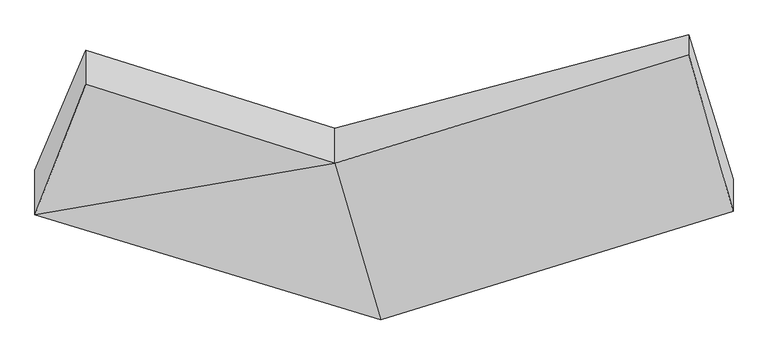
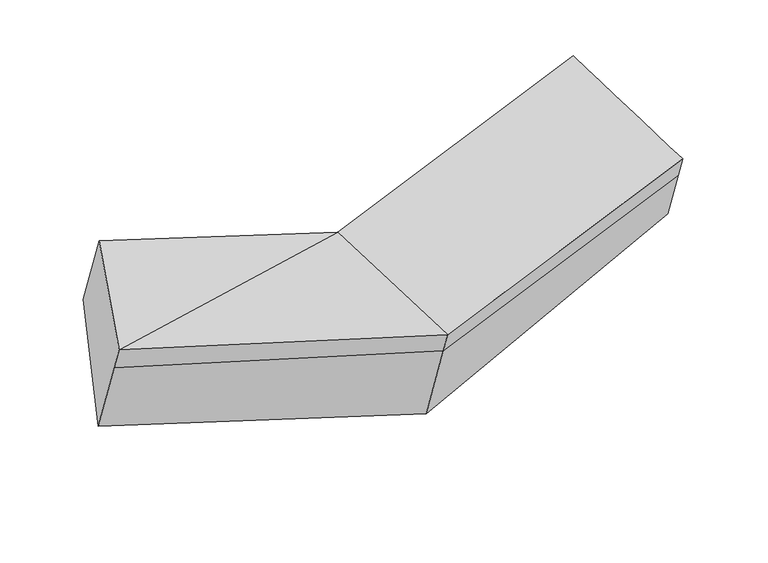
"""IFC4 building model written with IfcOpenShell, lengths in millimetres: proxy geometry."""

from ifc_helpers import new_model, si_unit, frame, origin, place, context, project, spatial, source, transform, mapped, element, save
from ifc_brep_helpers import plane_surface, spline_surface, advanced_brep


def generic_models_4d4130b1(model_context):
    return source(origin(), model_context, "Body", "AdvancedBrep", [
        advanced_brep(
        [(-1681.7710397, -1844.5860914, 2116.7372217), (-1681.7371374, -1793.2617217, 1970.4812546), (7.7523672, -2309.5059282, 1801.2237386), (7.7217458, -2355.8634234, 1933.3259024), (-1433.8060525, -1206.7830187, 2340.6135391), (-217.3140991, -1592.2066856, 2201.2573402), (-1433.6955071, -1039.429259, 1863.7156036), (-217.2002108, -1419.7921847, 1709.938115), (-1681.6273621, -1627.0737462, 1496.9053843), (7.8704935, -2130.6754788, 1291.6213714), (1512.6307794, -964.9372966, 2123.8646294), (1512.5670099, -1061.4773818, 2398.969099), (1729.4592847, -1827.2286842, 2130.3007457), (1729.4899061, -1780.8711889, 1998.1985818), (1729.5623321, -1671.2260033, 1685.7492963)],
        [
            (0, 1),
            (1, 2),
            (2, 3),
            (3, 0),
            (4, 0),
            (0, 5),
            (5, 4),
            (6, 4),
            (5, 7),
            (7, 6),
            (8, 6),
            (7, 9),
            (9, 8),
            (1, 8),
            (9, 2),
            (10, 11),
            (11, 12),
            (12, 13),
            (13, 14),
            (14, 10),
            (3, 5),
            (5, 11),
            (10, 7),
            (3, 12),
            (2, 13),
            (9, 14),
        ],
        [
            plane_surface(frame((-1681.7540886, -1818.9239066, 2043.6092382), z_axis=(-0.3060682581214703, -0.8982815965811246, -0.3152973114603981), x_axis=(0.0002187243439292444, 0.33112496618053344, -0.943586884675493))),
            plane_surface(frame((-1557.7885461, -1525.6845551, 2228.6753804), z_axis=(0.002808234936064552, -0.3321712242105124, 0.9432149233462295), x_axis=(-0.34439581555887255, -0.8858376010676839, -0.3109393297094949))),
            plane_surface(frame((-1433.7507798, -1123.1061388, 2102.1645714), z_axis=(0.31926057938396796, 0.8941830186354431, 0.31386209015333444), x_axis=(-0.00021872434374065421, -0.33112496618048076, 0.9435868846755114))),
            spline_surface(1, 1, [[(-1681.6273621, -1627.0737462, 1496.9053843), (7.8704935, -2130.6754788, 1291.6213714)], [(-1433.6955071, -1039.429259, 1863.7156036), (-217.2002108, -1419.7921847, 1709.938115)]], [2, 2], [2, 2], [0.0, 1.0], [0.0, 1.0]),
            plane_surface(frame((-1681.6822498, -1710.167734, 1733.6933195), z_axis=(-0.3060682581214728, -0.8982815965811759, -0.3152973114602485), x_axis=(0.00021872434365996868, 0.33112496618045834, -0.9435868846755193))),
            plane_surface(frame((1621.0548515, -1381.2173415, 2084.7209426), z_axis=(0.9660901014831397, 0.24356897800843408, 0.08569754236980245), x_axis=(-0.00021872434371285774, -0.33112496618047405, 0.9435868846755139))),
            plane_surface(frame((-1557.7249903, -1429.4680288, 1954.4929372), z_axis=(-0.9388245173541222, 0.3250353846993127, 0.11384429853167588), x_axis=(-0.0002187243437412025, -0.33112496618048054, 0.9435868846755116))),
            plane_surface(frame((-1681.7710397, -1844.5860914, 2116.7372217), z_axis=(0.002470557729439146, -0.3304182640575326, 0.9438313764236239), x_axis=(0.26789981530728435, -0.9091151640496759, -0.31896599733083464))),
            plane_surface(frame((-217.257155, -1505.9994352, 1955.5977276), z_axis=(-0.3110950548911994, 0.8967875230491743, 0.3146299498229128), x_axis=(-0.00021872434371285774, -0.33112496618047405, 0.9435868846755139))),
            spline_surface(1, 1, [[(-217.3140991, -1592.2066856, 2201.2573402), (1512.5670099, -1061.4773818, 2398.969099)], [(7.7217458, -2355.8634234, 1933.3259024), (1729.4592847, -1827.2286842, 2130.3007457)]], [2, 2], [2, 2], [0.0, 1.0], [0.0, 1.0]),
            plane_surface(frame((7.7370565, -2332.6846758, 1867.2748205), z_axis=(0.31131703333658994, -0.8967189491540811, -0.3146058343109758), x_axis=(0.0002187243436959624, 0.33112496618047116, -0.9435868846755149))),
            plane_surface(frame((7.8114303, -2220.0907035, 1546.422555), z_axis=(0.3113170333365899, -0.8967189491540831, -0.3146058343109709), x_axis=(0.00021872434372846407, 0.33112496618047604, -0.9435868846755132))),
            spline_surface(1, 1, [[(7.8704935, -2130.6754788, 1291.6213714), (1729.5623321, -1671.2260033, 1685.7492963)], [(-217.2002108, -1419.7921847, 1709.938115), (1512.6307794, -964.9372966, 2123.8646294)]], [2, 2], [2, 2], [0.0, 1.0], [0.0, 1.0]),
        ],
        [
            (0, [[1, 2, 3, 4]]),
            (1, [[5, 6, 7]]),
            (2, [[8, -7, 9, 10]]),
            (3, [[11, -10, 12, 13]]),
            (4, [[14, -13, 15, -2]]),
            (5, [[16, 17, 18, 19, 20]]),
            (6, [[-1, -5, -8, -11, -14]]),
            (7, [[21, -6, -4]]),
            (8, [[-9, 22, -16, 23]]),
            (9, [[-21, 24, -17, -22]]),
            (10, [[-3, 25, -18, -24]]),
            (11, [[-15, 26, -19, -25]]),
            (12, [[-12, -23, -20, -26]]),
        ],
    ),
    ])


if __name__ == "__main__":
    model = new_model("IFC4")
    model_context = context("Model", 3, world=origin())
    ifc_project = project(units=[si_unit("LENGTHUNIT", "METRE", prefix="MILLI")], contexts=[model_context])
    site = spatial("IfcSite", under=ifc_project)
    building = spatial("IfcBuilding", under=site)
    placement = place(None, origin())
    generic_models_shape = generic_models_4d4130b1(model_context)
    element("IfcBuildingElementProxy", 1, Name="Generic Models", at=placement, inside=building, context=model_context, shape_type="MappedRepresentation", body=[
        mapped(generic_models_shape, transform((0.0, 0.0, 0.0), x_axis=(1.0, 0.0, 0.0), y_axis=(0.0, 1.0, 0.0), z_axis=(0.0, 0.0, 1.0))),
    ])
    save(model, "model.ifc")
